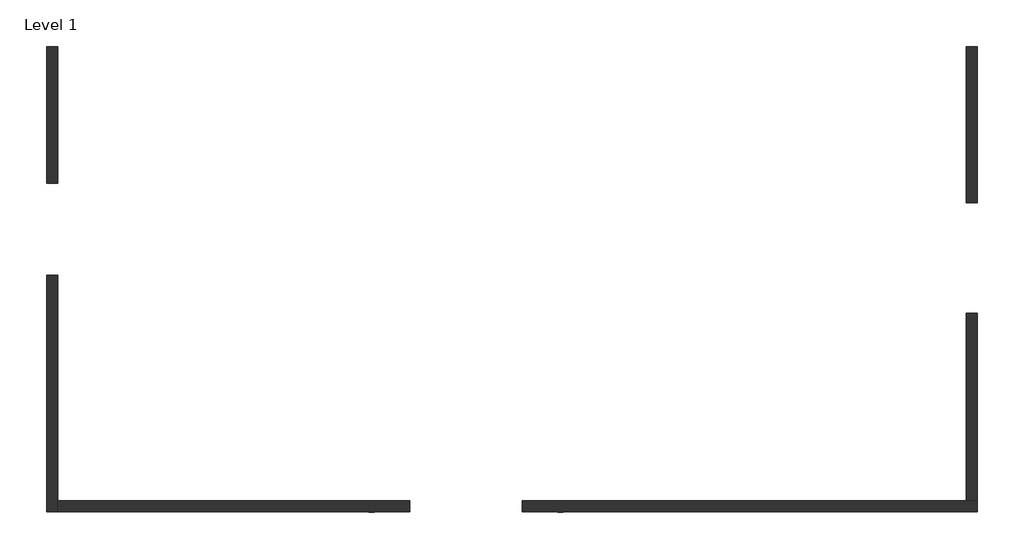
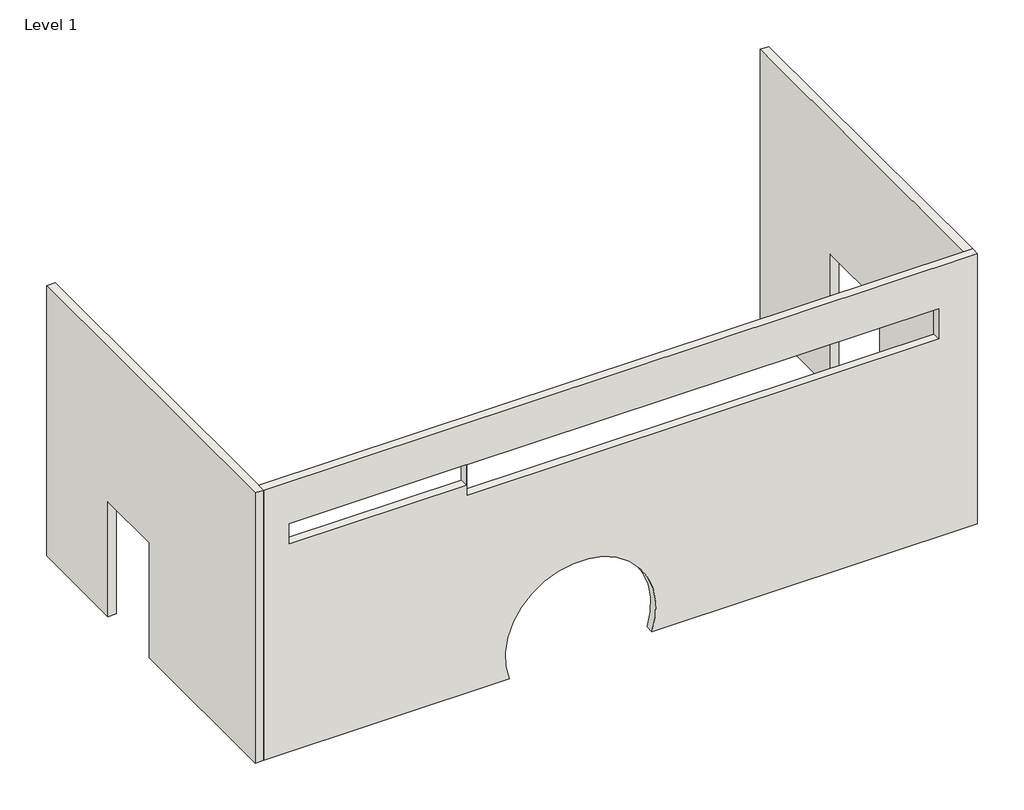
# One storey: 3 walls.
"""IFC4 building model written with IfcOpenShell, lengths in millimetres."""

import ifcopenshell
import ifcopenshell.guid

model = None  # the IFC model being written
_history = None  # IfcOwnerHistory: only IFC2X3 demands one
_inside = {}  # id of a spatial element -> (the spatial element, [elements in it])
_under = {}  # id of a project, library or spatial element -> (it, [spatial elements below it])
_declared = {}  # id of a project -> (the project, [libraries it declares])
_typed = {}  # id of a type object -> (the type object, [elements of that type])
_made_of = {}  # id of a material, layer set ... -> (it, [elements and type objects made of it])


def new_model(schema):
    """Start an empty IFC model of exactly this schema.

    Asked for "IFC4X3", IfcOpenShell would pick the latest addendum, in which some entities
    have other attributes; the version numbers below select the first issue.
    IFC2X3 requires an IfcOwnerHistory on every rooted entity: one is made here for all.
    """
    global model, _history
    if schema == "IFC4X3":
        model = ifcopenshell.file(schema_version=(4, 3, 0, 0))
    else:
        model = ifcopenshell.file(schema=schema)
    _inside.clear()
    _under.clear()
    _declared.clear()
    _typed.clear()
    _made_of.clear()
    _history = None
    if model.schema == "IFC2X3":
        org = make("IfcOrganization", Name="unknown")
        user = make(
            "IfcPersonAndOrganization",
            ThePerson=make("IfcPerson", FamilyName="unknown"),
            TheOrganization=org,
        )
        app = make(
            "IfcApplication",
            ApplicationDeveloper=org,
            Version="unknown",
            ApplicationFullName="unknown",
            ApplicationIdentifier="unknown",
        )
        _history = make(
            "IfcOwnerHistory",
            OwningUser=user,
            OwningApplication=app,
            ChangeAction="ADDED",
            CreationDate=0,
        )
    return model


def make(cls, **values):
    """One entity of the class cls with the attributes given. An attribute that is None is left unset."""
    return model.create_entity(
        cls, **{name: value for name, value in values.items() if value is not None}
    )


def rooted(cls, **values):
    """An entity with a GlobalId (a new one), such as an element, a storey or a relation."""
    return make(cls, GlobalId=ifcopenshell.guid.new(), OwnerHistory=_history, **values)


def si_unit(unit_type, name, prefix=None):
    """IfcSIUnit, for example si_unit("LENGTHUNIT", "METRE", prefix="MILLI")."""
    return make("IfcSIUnit", UnitType=unit_type, Prefix=prefix, Name=name)


def assignment(units):
    """IfcUnitAssignment: the units of a project."""
    return None if units is None else make("IfcUnitAssignment", Units=units)


def point(xyz):
    """IfcCartesianPoint."""
    return None if xyz is None else make("IfcCartesianPoint", Coordinates=xyz)


def direction(xyz):
    """IfcDirection."""
    return None if xyz is None else make("IfcDirection", DirectionRatios=xyz)


def frame(location, z_axis=None, x_axis=None):
    """IfcAxis2Placement3D, a coordinate frame: its origin and axes. An axis left out is left unset."""
    return make(
        "IfcAxis2Placement3D",
        Location=point(location),
        Axis=direction(z_axis),
        RefDirection=direction(x_axis),
    )


def origin():
    """The frame at (0, 0, 0) with its axes left unset."""
    return frame((0.0, 0.0, 0.0))


def place(relative_to, where):
    """IfcLocalPlacement: puts the frame where relative to a parent placement (None: the world)."""
    return make(
        "IfcLocalPlacement", PlacementRelTo=relative_to, RelativePlacement=where
    )


def context(
    kind, dimensions, precision=None, world=None, true_north=None, identifier=None
):
    """IfcGeometricRepresentationContext, for example the 3D "Model" context."""
    return make(
        "IfcGeometricRepresentationContext",
        ContextIdentifier=identifier,
        ContextType=kind,
        CoordinateSpaceDimension=dimensions,
        Precision=precision,
        WorldCoordinateSystem=world,
        TrueNorth=true_north,
    )


def project(units=None, contexts=None):
    """IfcProject with its units and contexts."""
    return rooted(
        "IfcProject",
        Name="project",
        RepresentationContexts=contexts,
        UnitsInContext=assignment(units),
    )


def spatial(cls, under=None, at=None, **own):
    """A site, building, storey or space (cls), placed at a placement, below another one or the project."""
    s = rooted(cls, ObjectPlacement=at, **own)
    if under is not None:
        _under.setdefault(under.id(), (under, []))[1].append(s)
    return s


def polyline(points):
    """IfcPolyline through the points."""
    return make("IfcPolyline", Points=[point(p) for p in points])


def circle_curve(where, radius):
    """IfcCircle in the frame where."""
    return make("IfcCircle", Position=where, Radius=radius)


def outline(outer, holes=None, kind="AREA"):
    """IfcArbitraryClosedProfileDef: a profile drawn as a closed curve; with holes, ...WithVoids."""
    if holes is None:
        return make("IfcArbitraryClosedProfileDef", ProfileType=kind, OuterCurve=outer)
    return make(
        "IfcArbitraryProfileDefWithVoids",
        ProfileType=kind,
        OuterCurve=outer,
        InnerCurves=holes,
    )


def extrude(swept, where, along, depth):
    """IfcExtrudedAreaSolid: the profile swept, set in the frame where, extruded along a direction by depth."""
    return make(
        "IfcExtrudedAreaSolid",
        SweptArea=swept,
        Position=where,
        ExtrudedDirection=direction(along),
        Depth=depth,
    )


def faces_of(points, faces, orient=None, outer=None):
    """IfcFace entities. A face is a list of loops; a loop is a list of indices into points, from 0.

    orient and outer hold one flag for each loop. By default every Orientation is true, the
    first loop of a face is its IfcFaceOuterBound and the others are IfcFaceBound.
    """
    made = []
    for i, loops in enumerate(faces):
        bounds = []
        for j, loop in enumerate(loops):
            is_outer = j == 0 if outer is None else outer[i][j]
            bounds.append(
                make(
                    "IfcFaceOuterBound" if is_outer else "IfcFaceBound",
                    Bound=make("IfcPolyLoop", Polygon=[points[k] for k in loop]),
                    Orientation=True if orient is None else orient[i][j],
                )
            )
        made.append(make("IfcFace", Bounds=bounds))
    return made


def faceted_brep(points, faces, orient=None, outer=None, voids=None):
    """IfcFacetedBrep: a solid bounded by flat faces; with voids (closed shells), ...WithVoids."""
    shared = [point(p) for p in points]
    hull = make("IfcClosedShell", CfsFaces=faces_of(shared, faces, orient, outer))
    if voids is None:
        return make("IfcFacetedBrep", Outer=hull)
    return make(
        "IfcFacetedBrepWithVoids",
        Outer=hull,
        Voids=[
            make(cls, CfsFaces=faces_of(shared, fs, o, b)) for cls, fs, o, b in voids
        ],
    )


def shape(context_of_items, identifier, shape_type, items):
    """IfcShapeRepresentation: the items that make up one representation, for example the "Body"."""
    return make(
        "IfcShapeRepresentation",
        ContextOfItems=context_of_items,
        RepresentationIdentifier=identifier,
        RepresentationType=shape_type,
        Items=items,
    )


def made_of(thing, what):
    """Note that an element or type object is made of a material, layer set ...; save() writes the relation."""
    if what is not None:
        _made_of.setdefault(what.id(), (what, []))[1].append(thing)
    return thing


def element(
    cls,
    number,
    at=None,
    inside=None,
    cuts=None,
    type_object=None,
    material=None,
    context=None,
    identifier="Body",
    shape_type=None,
    held_by="IfcProductDefinitionShape",
    body=None,
    shapes=None,
    **own,
):
    """One element of the class cls, such as IfcWall. Its Tag is "e" and its number.

    at: its placement. inside: the storey or other place that contains it. cuts: it is an
    opening in that element (IfcRelVoidsElement). A single representation is given by context,
    identifier, shape_type and body (its items); several are given by shapes. held_by: the class
    of the entity that holds the representations. save() writes the other relations.
    """
    e = rooted(cls, Tag="e%d" % number, ObjectPlacement=at, **own)
    if body is not None:
        shapes = [shape(context, identifier, shape_type, body)]
    if shapes is not None:
        e.Representation = make(held_by, Representations=shapes)
    if inside is not None:
        _inside.setdefault(inside.id(), (inside, []))[1].append(e)
    if cuts is not None:
        rooted(
            "IfcRelVoidsElement", RelatingBuildingElement=cuts, RelatedOpeningElement=e
        )
    if type_object is not None:
        _typed.setdefault(type_object.id(), (type_object, []))[1].append(e)
    return made_of(e, material)


def aggregate(whole, parts):
    """IfcRelAggregates: a whole, such as a stair, and the parts it consists of."""
    return rooted("IfcRelAggregates", RelatingObject=whole, RelatedObjects=parts)


def save(model, path):
    """Write the relations noted so far, then the file.

    IfcRelAggregates (storeys below a building ...), IfcRelContainedInSpatialStructure (elements
    in a storey), IfcRelDefinesByType, IfcRelAssociatesMaterial and IfcRelDeclares: one each for
    every whole, place, type object, material and project.
    """
    for whole, parts in _under.values():
        aggregate(whole, parts)
    for where, things in _inside.values():
        rooted(
            "IfcRelContainedInSpatialStructure",
            RelatedElements=things,
            RelatingStructure=where,
        )
    for kind, things in _typed.values():
        rooted("IfcRelDefinesByType", RelatedObjects=things, RelatingType=kind)
    for what, things in _made_of.values():
        rooted("IfcRelAssociatesMaterial", RelatedObjects=things, RelatingMaterial=what)
    for by, libraries in _declared.values():
        rooted("IfcRelDeclares", RelatingContext=by, RelatedDefinitions=libraries)
    model.write(path)


def plane_surface(at):
    """IfcPlane: the flat surface through the origin of the frame at, square to its z axis."""
    return make("IfcPlane", Position=at)


def revolved_surface(curve, axis_point, axis_direction):
    """IfcSurfaceOfRevolution: the curve turned about the line through axis_point along axis_direction."""
    return make(
        "IfcSurfaceOfRevolution",
        SweptCurve=make("IfcArbitraryOpenProfileDef", ProfileType="CURVE", Curve=curve),
        AxisPosition=make("IfcAxis1Placement", Location=point(axis_point), Axis=direction(axis_direction)),
    )


def advanced_brep(points, edges, surfaces, faces):
    """IfcAdvancedBrep: a solid bounded by faces that lie on surfaces and meet in shared edges.

    An edge is (start, end): straight between two places in points (the first is 0);
    or (start, end, curve); or (start, end, curve, False) where it runs against its curve.
    A face is (place in surfaces, loops), or (place, loops, False) where it looks against
    its surface's normal. A loop lists edges by number (the first is 1), with a minus sign
    where the edge is run from its end to its start. The first loop is the outer one.
    """
    corners = [point(p) for p in points]
    vertices = [make("IfcVertexPoint", VertexGeometry=c) for c in corners]
    made = []
    for start, end, *more in edges:
        made.append(
            make(
                "IfcEdgeCurve",
                EdgeStart=vertices[start],
                EdgeEnd=vertices[end],
                EdgeGeometry=more[0] if more else make("IfcPolyline", Points=[corners[start], corners[end]]),
                SameSense=more[1] if len(more) > 1 else True,
            )
        )
    hull = []
    for where, loops, *sense in faces:
        bounds = []
        for j, loop in enumerate(loops):
            ring = [make("IfcOrientedEdge", EdgeElement=made[abs(k) - 1], Orientation=k > 0) for k in loop]
            bounds.append(
                make(
                    "IfcFaceOuterBound" if j == 0 else "IfcFaceBound",
                    Bound=make("IfcEdgeLoop", EdgeList=ring),
                    Orientation=True,
                )
            )
        hull.append(make("IfcAdvancedFace", Bounds=bounds, FaceSurface=surfaces[where], SameSense=sense[0] if sense else True))
    return make("IfcAdvancedBrep", Outer=make("IfcClosedShell", CfsFaces=hull))


model = new_model("IFC4")

# Units and contexts
model_context = context("Model", 3, world=origin())
ifc_project = project(units=[si_unit("LENGTHUNIT", "METRE", prefix="MILLI")], contexts=[model_context])

# Site, building, storey
site = spatial("IfcSite", under=ifc_project)
building = spatial("IfcBuilding", under=site)
storey = spatial("IfcBuildingStorey", under=building, Name="Level 1", Elevation=0.0)

# Walls
placement = place(None, origin())
element("IfcWall", 1, ObjectType="Generic - 200mm test", at=placement, inside=storey, context=model_context, shape_type="Brep", body=[
    faceted_brep([(-8267.2442606, 3435.1661569, 0.0), (-8267.2442606, 1948.1286458, 0.0), (-8267.2442606, 1948.1286458, 1700.0), (-8267.2442606, 948.1286458, 1700.0), (-8267.2442606, 948.1286458, 0.0), (-8267.2442606, -1624.8338431, 0.0), (-8267.2442606, -1624.8338431, 4000.0), (-8267.2442606, 3435.1661569, 4000.0), (-8147.2442606, 3435.1661569, 0.0), (-8147.2442606, 3435.1661569, 4000.0), (-8147.2442606, -1504.8338431, 4000.0), (-8147.2442606, -1624.8338431, 4000.0), (-8147.2442606, -1624.8338431, 0.0), (-8147.2442606, -1504.8338431, 0.0), (-8147.2442606, 948.1286458, 0.0), (-8147.2442606, 948.1286458, 1700.0), (-8147.2442606, 1948.1286458, 1700.0), (-8147.2442606, 1948.1286458, 0.0)], [[[0, 1, 2, 3, 4, 5, 6, 7]], [[8, 9, 10, 11, 12, 13, 14, 15, 16, 17]], [[1, 0, 8, 17]], [[2, 1, 17, 16]], [[3, 2, 16, 15]], [[4, 3, 15, 14]], [[5, 4, 14, 13, 12]], [[7, 6, 11, 10, 9]], [[0, 7, 9, 8]], [[6, 5, 12, 11]]]),
])
element("IfcWall", 2, ObjectType="Generic - 200mm test", at=placement, inside=storey, context=model_context, shape_type="AdvancedBrep", body=[
    advanced_brep(
    [(-8147.2442606, -1624.8338431, 0.0), (-4707.2442606, -1624.8338431, 0.0), (-2707.2442606, -1624.8338431, 0.0), (1852.7557394, -1624.8338431, 0.0), (1852.7557394, -1624.8338431, 4000.0), (-8147.2442606, -1624.8338431, 4000.0), (-7789.6472414, -1624.8338431, 3377.9983297), (-5307.2442606, -1624.8338431, 3377.9983297), (-5307.2442606, -1624.8338431, 3077.9983297), (-7789.6472414, -1624.8338431, 3077.9983297), (1310.3527586, -1624.8338431, 3377.9983297), (1310.3527586, -1624.8338431, 2927.9983297), (-5297.2442606, -1624.8338431, 2927.9983297), (-5297.2442606, -1624.8338431, 3377.9983297), (-8147.2442606, -1504.8338431, 0.0), (-8147.2442606, -1504.8338431, 4000.0), (1732.7557394, -1504.8338431, 4000.0), (1852.7557394, -1504.8338431, 4000.0), (1852.7557394, -1504.8338431, 0.0), (1732.7557394, -1504.8338431, 0.0), (-2707.2442606, -1504.8338431, 0.0), (-4707.2442606, -1504.8338431, 0.0), (-7789.6472414, -1504.8338431, 3377.9983297), (-7789.6472414, -1504.8338431, 3077.9983297), (-5307.2442606, -1504.8338431, 3077.9983297), (-5307.2442606, -1504.8338431, 3377.9983297), (1310.3527586, -1504.8338431, 3377.9983297), (-5297.2442606, -1504.8338431, 3377.9983297), (-5297.2442606, -1504.8338431, 2927.9983297), (1310.3527586, -1504.8338431, 2927.9983297)],
    [
        (0, 1),
        (1, 2, circle_curve(frame((-3707.2442606, -1624.8338431, 343.3000695), z_axis=(0.0, 1.0, 0.0), x_axis=(-1.0, 0.0, 0.0)), 1057.286592)),
        (2, 3),
        (3, 4),
        (4, 5),
        (5, 0),
        (6, 7),
        (7, 8),
        (8, 9),
        (9, 6),
        (10, 11),
        (11, 12),
        (12, 13),
        (13, 10),
        (14, 15),
        (15, 16),
        (16, 17),
        (17, 18),
        (18, 19),
        (19, 20),
        (20, 21, circle_curve(frame((-3707.2442606, -1504.8338431, 343.3000695), z_axis=(0.0, -1.0, 0.0), x_axis=(-1.0, 0.0, 0.0)), 1057.286592)),
        (21, 14),
        (22, 23),
        (23, 24),
        (24, 25),
        (25, 22),
        (26, 27),
        (27, 28),
        (28, 29),
        (29, 26),
        (0, 14),
        (21, 1),
        (20, 2),
        (18, 3),
        (4, 17),
        (15, 5),
        (6, 22),
        (25, 7),
        (24, 8),
        (23, 9),
        (10, 26),
        (29, 11),
        (28, 12),
        (27, 13),
    ],
    [
        plane_surface(frame((-8207.2442606, -1624.8338431, 0.0), z_axis=(0.0, -1.0, 0.0), x_axis=(1.0, 0.0, 0.0))),
        plane_surface(frame((-8207.2442606, -1504.8338431, 0.0), z_axis=(0.0, 1.0, 0.0), x_axis=(-1.0, 0.0, 0.0))),
        plane_surface(frame((-8207.2442606, -1624.8338431, 0.0), z_axis=(0.0, 0.0, -1.0), x_axis=(0.0, 1.0, 0.0))),
        revolved_surface(polyline([(-4764.5308526, -1504.8338431, 343.3000695), (-4764.5308526, -1624.8338431, 343.3000695)]), (-3707.2442606, -1504.8338431, 343.3000695), (0.0, 1.0, 0.0)),
        plane_surface(frame((-2707.2442606, -1624.8338431, 0.0), z_axis=(0.0, 0.0, -1.0), x_axis=(0.0, 1.0, 0.0))),
        plane_surface(frame((1792.7557394, -1624.8338431, 4000.0), z_axis=(0.0, 0.0, 1.0), x_axis=(0.0, 1.0, 0.0))),
        plane_surface(frame((-7789.6472414, -1624.8338431, 3377.9983297), z_axis=(0.0, 0.0, -1.0), x_axis=(0.0, 1.0, 0.0))),
        plane_surface(frame((-5307.2442606, -1624.8338431, 3377.9983297), z_axis=(-1.0, 0.0, 0.0), x_axis=(0.0, 1.0, 0.0))),
        plane_surface(frame((-5307.2442606, -1624.8338431, 3077.9983297), z_axis=(0.0, 0.0, 1.0), x_axis=(0.0, 1.0, 0.0))),
        plane_surface(frame((-7789.6472414, -1624.8338431, 3077.9983297), z_axis=(1.0, 0.0, 0.0), x_axis=(0.0, 1.0, 0.0))),
        plane_surface(frame((1310.3527586, -1624.8338431, 3377.9983297), z_axis=(-1.0, 0.0, 0.0), x_axis=(0.0, 1.0, 0.0))),
        plane_surface(frame((1310.3527586, -1624.8338431, 2927.9983297), z_axis=(0.0, 0.0, 1.0), x_axis=(0.0, 1.0, 0.0))),
        plane_surface(frame((-5297.2442606, -1624.8338431, 2927.9983297), z_axis=(1.0, 0.0, 0.0), x_axis=(0.0, 1.0, 0.0))),
        plane_surface(frame((-5297.2442606, -1624.8338431, 3377.9983297), z_axis=(0.0, 0.0, -1.0), x_axis=(0.0, 1.0, 0.0))),
        plane_surface(frame((1852.7557394, -1564.8338431, 0.0), z_axis=(1.0, 0.0, 0.0), x_axis=(0.0, 1.0, 0.0))),
        plane_surface(frame((-8147.2442606, 3435.1661569, 0.0), z_axis=(-1.0, 0.0, 0.0), x_axis=(0.0, 1.0, 0.0))),
    ],
    [
        (0, [[1, 2, 3, 4, 5, 6], [7, 8, 9, 10], [11, 12, 13, 14]]),
        (1, [[15, 16, 17, 18, 19, 20, 21, 22], [23, 24, 25, 26], [27, 28, 29, 30]]),
        (2, [[-1, 31, -22, 32]]),
        (3, [[-2, -32, -21, 33]]),
        (4, [[-3, -33, -20, -19, 34]]),
        (5, [[-5, 35, -17, -16, 36]]),
        (6, [[-7, 37, -26, 38]]),
        (7, [[-8, -38, -25, 39]]),
        (8, [[-9, -39, -24, 40]]),
        (9, [[-10, -40, -23, -37]]),
        (10, [[-11, 41, -30, 42]]),
        (11, [[-12, -42, -29, 43]]),
        (12, [[-13, -43, -28, 44]]),
        (13, [[-14, -44, -27, -41]]),
        (14, [[-4, -34, -18, -35]]),
        (15, [[-6, -36, -15, -31]]),
    ],
),
])
element("IfcWall", 3, ObjectType="Generic - 200mm test", at=placement, inside=storey, context=model_context, shape_type="SweptSolid", body=[
    extrude(outline(polyline([(-1504.8338431, 0.0), (-1504.8338431, 4000.0), (3435.1661569, 4000.0), (3435.1661569, 0.0), (1735.1661569, 0.0), (1735.1661569, 2000.0), (535.1661569, 2000.0), (535.1661569, 0.0), (-1504.8338431, 0.0)])), frame((1732.7557394, 0.0, 0.0), z_axis=(1.0, 0.0, 0.0), x_axis=(0.0, 1.0, 0.0)), (0.0, 0.0, 1.0), 120.0),
])

save(model, "model.ifc")
